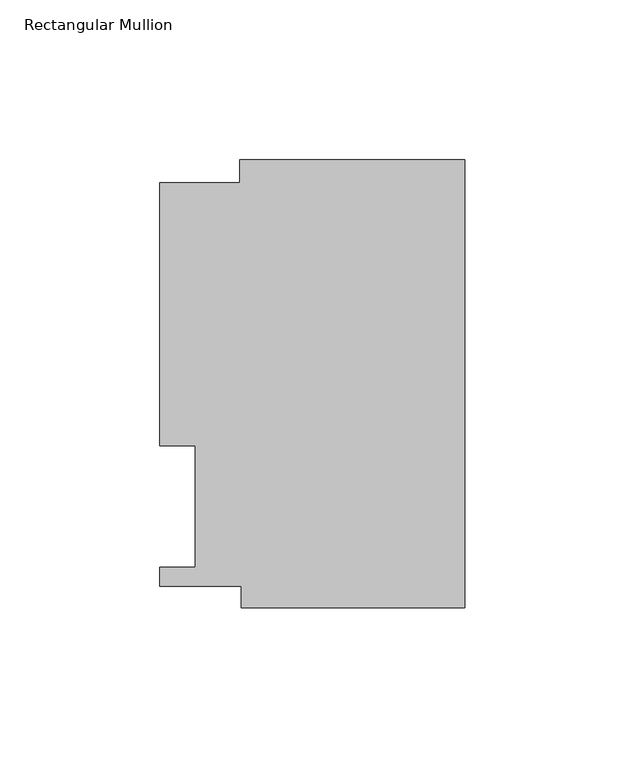
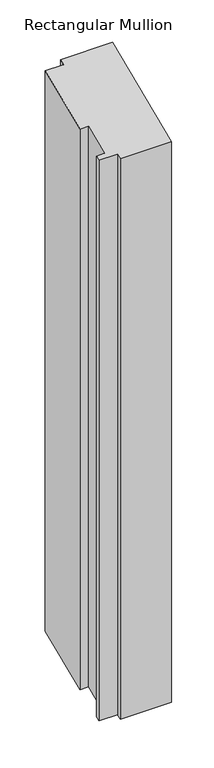
"""IFC4 building model written with IfcOpenShell, lengths in millimetres: member geometry, Rectangular Mullion."""

from ifc_helpers import new_model, si_unit, origin, place, context, project, spatial, faceted_brep, source, transform, mapped, element, save


def rectangular_mullion_238a1494(model_context):
    return source(origin(), model_context, "Body", "Brep", [
        faceted_brep([(-70.3072, 126.619, 52.4473071), (-70.3072, 133.731, 55.3931939), (-70.3072, 133.731, -750.0969302), (-70.3072, 126.619, -753.042817), (-95.25, 126.619, 52.4473071), (-95.25, 126.619, -753.042817), (-95.25, 44.45, 18.4117928), (-95.25, 44.45, -787.0783312), (-84.1375, 44.45, 18.4117928), (-84.1375, 44.45, -787.0783312), (-84.1375, 6.35, 2.6302561), (-84.1375, 6.35, -802.859868), (-95.25, 6.35, 2.6302561), (-95.25, 6.35, -802.859868), (-95.25, 0.4064, 0.1683364), (-95.25, 0.4064, -805.3217877), (-69.85, 0.4064, 0.1683364), (-69.85, 0.4064, -805.3217877), (-69.85, -6.2260979, -2.5789342), (-69.85, -6.2260979, -808.0690583), (0.0, -6.2260979, -2.5789342), (0.0, -6.2260979, -808.0690583), (0.0, 133.731, 55.3931939), (0.0, 133.731, -750.0969302)], [[[0, 1, 2, 3]], [[4, 0, 3, 5]], [[6, 4, 5, 7]], [[8, 6, 7, 9]], [[10, 8, 9, 11]], [[12, 10, 11, 13]], [[14, 12, 13, 15]], [[16, 14, 15, 17]], [[18, 16, 17, 19]], [[20, 18, 19, 21]], [[22, 20, 21, 23]], [[1, 22, 23, 2]], [[1, 0, 4, 6, 8, 10, 12, 14, 16, 18, 20, 22]], [[2, 23, 21, 19, 17, 15, 13, 11, 9, 7, 5, 3]]]),
    ])


if __name__ == "__main__":
    model = new_model("IFC4")
    model_context = context("Model", 3, world=origin())
    ifc_project = project(units=[si_unit("LENGTHUNIT", "METRE", prefix="MILLI")], contexts=[model_context])
    site = spatial("IfcSite", under=ifc_project)
    building = spatial("IfcBuilding", under=site)
    placement = place(None, origin())
    rectangular_mullion_shape = rectangular_mullion_238a1494(model_context)
    element("IfcMember", 1, ObjectType="Rectangular Mullion", at=placement, inside=building, context=model_context, shape_type="MappedRepresentation", body=[
        mapped(rectangular_mullion_shape, transform((0.0, 0.0, 0.0), x_axis=(1.0, 0.0, 0.0), y_axis=(0.0, 1.0, 0.0), z_axis=(0.0, 0.0, 1.0))),
    ])
    save(model, "model.ifc")
